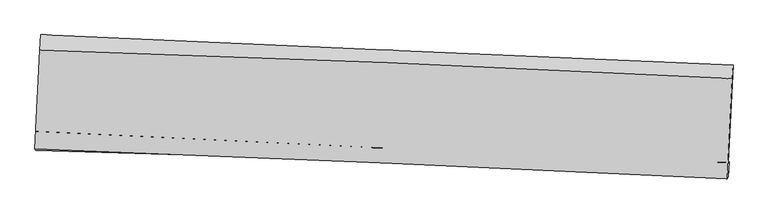
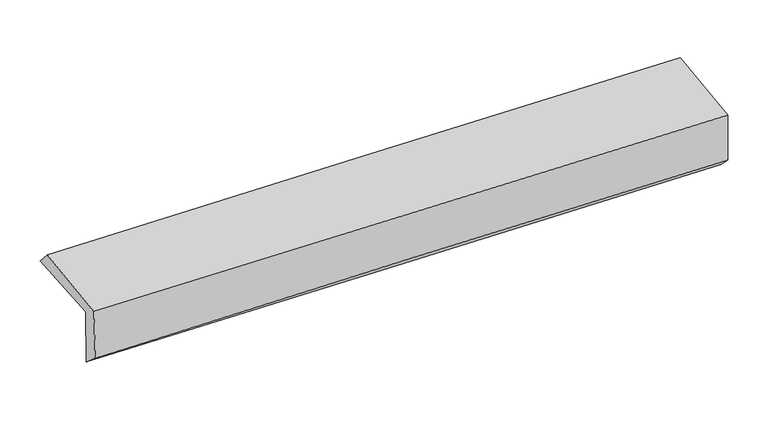
"""IFC4 building model written with IfcOpenShell, lengths in millimetres: proxy geometry."""

from ifc_helpers import new_model, si_unit, frame, origin, place, context, project, spatial, source, transform, mapped, element, save
from ifc_brep_helpers import plane_surface, spline_curve, spline_surface, advanced_brep


def generic_models_bb899ce1(model_context):
    return source(origin(), model_context, "Body", "AdvancedBrep", [
        advanced_brep(
        [(-2392.8761977, -1712.8156116, 2018.4286435), (-2358.516664, -1049.2418377, 2016.597353), (2391.5800311, -1258.2001041, 2086.9120541), (2358.6261367, -1926.3976918, 2093.5282258), (-2387.1022852, -1711.9718646, 1610.6059019), (2364.5994025, -1923.9364761, 1678.6141046), (-2395.5107674, -1844.3337951, 1721.629577), (2358.1613176, -2025.872472, 1779.650357), (-2400.2613178, -1834.1075518, 2097.3836145), (2352.1095705, -2040.6935566, 2157.0342628), (-2365.5923668, -1154.2934777, 2133.3342351), (2385.5048116, -1351.0837687, 2193.7839316)],
        [
            (0, 1),
            (1, 2, spline_curve(3, [(-2358.516664, -1049.2418377, 2016.597353), (-1566.842683938, -1083.900403278, 2028.58346269), (-775.15022108, -1118.643497692, 2040.436279773), (808.215346501, -1188.296264989, 2063.874494273), (1599.88844855, -1223.205926371, 2075.459911081), (2391.5800311, -1258.2001041, 2086.9120541)], [4, 2, 4], [0.0, 7.802207426735838, 15.603859786081848])),
            (2, 3),
            (3, 0, spline_curve(3, [(2358.6261367, -1926.3976918, 2093.5282258), (1566.431207404, -1895.475711346, 2082.898372779), (774.38929472, -1862.216930744, 2071.325403878), (-809.444838567, -1791.023236522, 2046.292343835), (-1601.237037329, -1753.087990517, 2032.83211866), (-2392.8761977, -1712.8156116, 2018.4286435)], [4, 2, 4], [0.0, 7.8016523593460105, 15.603859786081848])),
            (4, 0),
            (3, 5),
            (5, 4, spline_curve(3, [(2364.5994025, -1923.9364761, 1678.6141046), (1572.530773073, -1890.859604797, 1666.569073745), (780.53540089, -1856.658119776, 1654.879397121), (-803.365171901, -1786.003409264, 1632.209945471), (-1595.270362405, -1749.55002381, 1621.230221407), (-2387.1022852, -1711.9718646, 1610.6059019)], [4, 2, 4], [0.0, 7.803057880962345, 15.606670929313745])),
            (6, 4),
            (5, 7),
            (7, 6, spline_curve(3, [(2358.1613176, -2025.872472, 1779.650357), (1566.574562914, -1982.946820298, 1766.10724727), (774.655948398, -1946.356084001, 1754.500730304), (-809.901365971, -1885.842290375, 1735.160194706), (-1602.54011341, -1861.920134225, 1727.426451556), (-2395.5107674, -1844.3337951, 1721.629577)], [4, 2, 4], [0.0, 7.803537446145256, 15.60763009379939])),
            (8, 6),
            (7, 9),
            (9, 8, spline_curve(3, [(2352.1095705, -2040.6935566, 2157.0342628), (1560.300098674, -2001.941721392, 2143.762685844), (768.378547167, -1965.350838921, 2132.156127626), (-815.745066511, -1896.488529678, 2112.27234126), (-1607.947144391, -1864.217410587, 2103.995349991), (-2400.2613178, -1834.1075518, 2097.3836145)], [4, 2, 4], [0.0, 7.803898507712949, 15.608352242623372])),
            (10, 8),
            (9, 11),
            (11, 10, spline_curve(3, [(2385.5048116, -1351.0837687, 2193.7839316), (1594.071196273, -1310.728788032, 2180.653802428), (802.443714616, -1274.152555585, 2169.051388023), (-781.255317057, -1208.555254159, 2148.901271988), (-1573.326895038, -1179.534722885, 2140.353787398), (-2365.5923668, -1154.2934777, 2133.3342351)], [4, 2, 4], [0.0, 7.8022853231001905, 15.605125758623942])),
            (1, 10),
            (11, 2),
        ],
        [
            spline_surface(3, 3, [[(-2392.8761977, -1712.8156116, 2018.4286435), (-1601.23703725, -1753.087990457, 2032.832118704), (-809.444838546, -1791.023236527, 2046.292343914), (774.389294699, -1862.21693074, 2071.325403799), (1566.431207452, -1895.475711391, 2082.898372709), (2358.6261367, -1926.3976918, 2093.5282258)], [(-2381.423019777, -1491.624353644, 2017.818213326), (-1589.772252826, -1530.025461449, 2031.415900019), (-798.013299392, -1566.896656865, 2044.340322483), (785.664645328, -1637.576708838, 2068.84176732), (1577.583621206, -1671.385783051, 2080.418885514), (2369.610768188, -1703.66516257, 2091.322835241)], [(-2369.969841923, -1270.433095656, 2017.207783174), (-1578.307468469, -1306.962932409, 2029.999681356), (-786.581760278, -1342.770077256, 2042.388301083), (796.939995915, -1412.936486989, 2066.358130872), (1588.736034895, -1447.295854702, 2077.939398296), (2380.595399612, -1480.93263333, 2089.117444659)], [(-2358.516664, -1049.2418377, 2016.597353), (-1566.842684045, -1083.900403401, 2028.583462671), (-775.150221123, -1118.643497594, 2040.436279653), (808.215346544, -1188.296265087, 2063.874494393), (1599.888448648, -1223.205926362, 2075.459911101), (2391.5800311, -1258.2001041, 2086.9120541)]], [4, 4], [4, 2, 4], [0.0, 2.211430891170028], [0.0, 7.802207426735838, 15.603859786081848]),
            spline_surface(3, 3, [[(-2387.1022852, -1711.9718646, 1610.6059019), (-1595.270362428, -1749.55002378, 1621.230221354), (-803.365171992, -1786.003409284, 1632.209945572), (780.535400982, -1856.658119756, 1654.879397021), (1572.530773147, -1890.859604743, 1666.569073739), (2364.5994025, -1923.9364761, 1678.6141046)], [(-2389.026922728, -1712.253113587, 1746.54681576), (-1597.259254063, -1750.729345993, 1758.430853798), (-805.391727522, -1787.676685019, 1770.237411683), (778.486698876, -1858.511056738, 1793.694732611), (1570.497584576, -1892.398306948, 1805.345506731), (2362.608313894, -1924.756881322, 1816.918811668)], [(-2390.951560172, -1712.534362613, 1882.48772964), (-1599.248145615, -1751.908668244, 1895.631486261), (-807.418283016, -1789.349960792, 1908.264877803), (776.437996805, -1860.363993758, 1932.510068209), (1568.464396023, -1893.937009186, 1944.121939717), (2360.617225306, -1925.577286578, 1955.223518732)], [(-2392.8761977, -1712.8156116, 2018.4286435), (-1601.23703725, -1753.087990457, 2032.832118704), (-809.444838546, -1791.023236527, 2046.292343914), (774.389294699, -1862.21693074, 2071.325403799), (1566.431207452, -1895.475711391, 2082.898372709), (2358.6261367, -1926.3976918, 2093.5282258)]], [4, 4], [4, 2, 4], [0.0, 1.362673191301904], [0.0, 7.803613048351401, 15.606670929313745]),
            spline_surface(3, 3, [[(-2395.5107674, -1844.3337951, 1721.629577), (-1602.540113317, -1861.920134136, 1727.426451549), (-809.901366011, -1885.842290306, 1735.160194728), (774.655948438, -1946.356084071, 1754.500730282), (1566.574562787, -1982.946820186, 1766.107247149), (2358.1613176, -2025.872472, 1779.650357)], [(-2392.707939994, -1800.213151595, 1684.6216853), (-1600.116863015, -1824.463430679, 1692.027708151), (-807.722634664, -1852.562663326, 1700.843445007), (776.61576596, -1916.45676266, 1721.293619193), (1568.559966223, -1952.251081697, 1732.927856018), (2360.307345883, -1991.893806692, 1745.971606206)], [(-2389.905112606, -1756.092508105, 1647.6137936), (-1597.69361273, -1787.006727238, 1656.628964752), (-805.543903339, -1819.283036263, 1666.526695292), (778.57558346, -1886.557441167, 1688.08650811), (1570.545369711, -1921.555343233, 1699.74846487), (2362.453374217, -1957.915141408, 1712.292855394)], [(-2387.1022852, -1711.9718646, 1610.6059019), (-1595.270362428, -1749.55002378, 1621.230221354), (-803.365171992, -1786.003409284, 1632.209945572), (780.535400982, -1856.658119756, 1654.879397021), (1572.530773147, -1890.859604743, 1666.569073739), (2364.5994025, -1923.9364761, 1678.6141046)]], [4, 4], [4, 2, 4], [0.0, 0.4555348447221307], [0.0, 7.804092647654134, 15.60763009379939]),
            spline_surface(3, 3, [[(-2400.2613178, -1834.1075518, 2097.3836145), (-1607.947144277, -1864.217410637, 2103.99535011), (-815.745066412, -1896.488529741, 2112.272341263), (768.378547068, -1965.350838859, 2132.156127622), (1560.300098645, -2001.941721326, 2143.762685914), (2352.1095705, -2040.6935566, 2157.0342628)], [(-2398.677800986, -1837.516299577, 1972.132268689), (-1606.144800609, -1863.451651814, 1978.472383945), (-813.797166285, -1892.939783257, 1986.56829241), (770.471014184, -1959.019253924, 2006.270995168), (1562.391586717, -1995.610087616, 2017.877539663), (2354.126819558, -2035.75319507, 2031.239627538)], [(-2397.094284214, -1840.925047323, 1846.880922811), (-1604.342456985, -1862.68589296, 1852.949417714), (-811.849266138, -1889.39103679, 1860.864243581), (772.563481322, -1952.687669006, 1880.385862736), (1564.483074716, -1989.278453896, 1891.992393399), (2356.144068542, -2030.81283353, 1905.444992262)], [(-2395.5107674, -1844.3337951, 1721.629577), (-1602.540113317, -1861.920134136, 1727.426451549), (-809.901366011, -1885.842290306, 1735.160194728), (774.655948438, -1946.356084071, 1754.500730282), (1566.574562787, -1982.946820186, 1766.107247149), (2358.1613176, -2025.872472, 1779.650357)]], [4, 4], [4, 2, 4], [0.0, 1.2392495581834913], [0.0, 7.804453734910423, 15.608352242623372]),
            spline_surface(3, 3, [[(-2365.5923668, -1154.2934777, 2133.3342351), (-1573.326895013, -1179.534722859, 2140.353787479), (-781.255317162, -1208.555254184, 2148.901271885), (802.443714721, -1274.15255556, 2169.051388126), (1594.07119633, -1310.728787914, 2180.653802525), (2385.5048116, -1351.0837687, 2193.7839316)], [(-2377.148683811, -1380.898169054, 2121.350694906), (-1584.866978111, -1407.762285439, 2128.234308362), (-792.751900247, -1437.866346034, 2136.691628361), (791.088658836, -1504.551983324, 2156.752967975), (1582.814163749, -1541.13309906, 2168.356763641), (2374.373064548, -1580.953698008, 2181.534041987)], [(-2388.705000789, -1607.502860446, 2109.367154694), (-1596.407061178, -1635.989848057, 2116.114829226), (-804.248483328, -1667.177437891, 2124.481984787), (779.733602953, -1734.951411095, 2144.454547774), (1571.557131226, -1771.537410181, 2156.059724798), (2363.241317552, -1810.823627292, 2169.284152413)], [(-2400.2613178, -1834.1075518, 2097.3836145), (-1607.947144277, -1864.217410637, 2103.99535011), (-815.745066412, -1896.488529741, 2112.272341263), (768.378547068, -1965.350838859, 2132.156127622), (1560.300098645, -2001.941721326, 2143.762685914), (2352.1095705, -2040.6935566, 2157.0342628)]], [4, 4], [4, 2, 4], [0.0, 2.268356664834589], [0.0, 7.802840435523751, 15.605125758623942]),
            spline_surface(3, 3, [[(-2358.516664, -1049.2418377, 2016.597353), (-1566.842684045, -1083.900403401, 2028.583462671), (-775.150221123, -1118.643497594, 2040.436279653), (808.215346544, -1188.296265087, 2063.874494393), (1599.888448648, -1223.205926362, 2075.459911101), (2391.5800311, -1258.2001041, 2086.9120541)], [(-2360.875231604, -1084.259051044, 2055.509647018), (-1569.004087705, -1115.778509898, 2065.840237592), (-777.185253137, -1148.614083135, 2076.591277069), (806.291469268, -1216.915028589, 2098.933458977), (1597.949364539, -1252.380213551, 2110.52454157), (2389.55495793, -1289.161325638, 2122.536013261)], [(-2363.233799196, -1119.276264356, 2094.421941082), (-1571.165491353, -1147.656616363, 2103.097012558), (-779.220285148, -1178.584668643, 2112.746274468), (804.367591997, -1245.533792058, 2133.992423542), (1596.010280439, -1281.554500726, 2145.589172056), (2387.52988477, -1320.122547162, 2158.159972439)], [(-2365.5923668, -1154.2934777, 2133.3342351), (-1573.326895013, -1179.534722859, 2140.353787479), (-781.255317162, -1208.555254184, 2148.901271885), (802.443714721, -1274.15255556, 2169.051388126), (1594.07119633, -1310.728787914, 2180.653802525), (2385.5048116, -1351.0837687, 2193.7839316)]], [4, 4], [4, 2, 4], [0.0, 0.4542468286205334], [0.0, 7.801122598114642, 15.601690206016716]),
            plane_surface(frame((2368.4302117, -1754.3640116, 1998.2538226), z_axis=(0.9986938580685806, -0.04911369856319045, 0.014086251081750139), x_axis=(0.016021640651103702, 0.039237939816330135, -0.9991014418515355))),
            plane_surface(frame((-2383.3099331, -1551.1273564, 1932.9965542), z_axis=(-0.9985658255544386, 0.0516665414842097, -0.01403069940676393), x_axis=(-0.051710052769971926, -0.9986583373232681, 0.0027560365114398704))),
        ],
        [
            (0, [[1, 2, 3, 4]]),
            (1, [[5, -4, 6, 7]]),
            (2, [[8, -7, 9, 10]]),
            (3, [[11, -10, 12, 13]]),
            (4, [[14, -13, 15, 16]]),
            (5, [[17, -16, 18, -2]]),
            (6, [[-12, -9, -6, -3, -18, -15]]),
            (7, [[-1, -5, -8, -11, -14, -17]]),
        ],
    ),
    ])


if __name__ == "__main__":
    model = new_model("IFC4")
    model_context = context("Model", 3, world=origin())
    ifc_project = project(units=[si_unit("LENGTHUNIT", "METRE", prefix="MILLI")], contexts=[model_context])
    site = spatial("IfcSite", under=ifc_project)
    building = spatial("IfcBuilding", under=site)
    placement = place(None, origin())
    generic_models_shape = generic_models_bb899ce1(model_context)
    element("IfcBuildingElementProxy", 1, Name="Generic Models", at=placement, inside=building, context=model_context, shape_type="MappedRepresentation", body=[
        mapped(generic_models_shape, transform((0.0, 0.0, 0.0), x_axis=(1.0, 0.0, 0.0), y_axis=(0.0, 1.0, 0.0), z_axis=(0.0, 0.0, 1.0))),
    ])
    save(model, "model.ifc")
